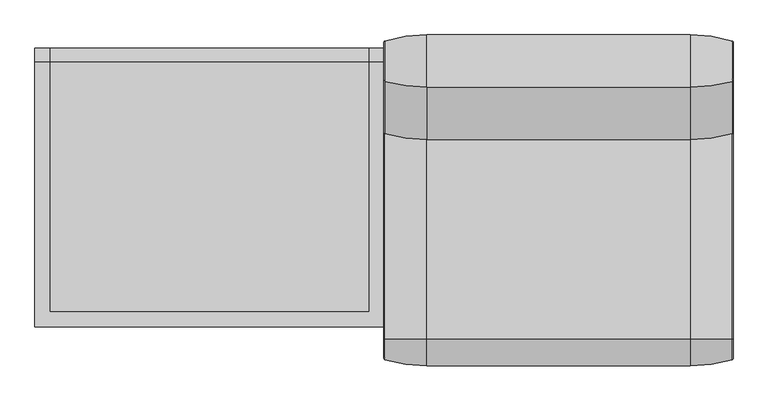
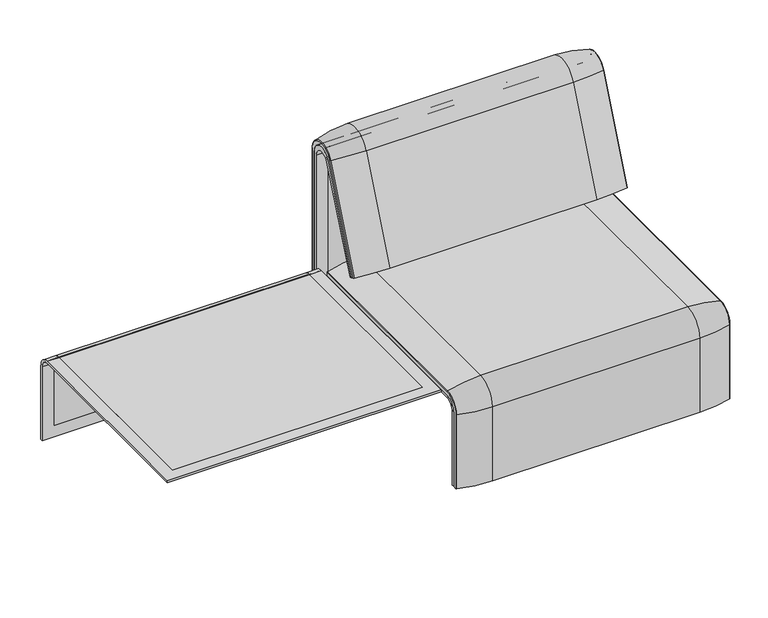
"""IFC4 building model written with IfcOpenShell, lengths in millimetres: furniture geometry."""

from ifc_helpers import new_model, si_unit, point, frame, frame_2d, origin, place, context, project, spatial, polyline, circle_curve, ellipse_curve, trimmed, segment, composite_curve, outline, extrude, source, transform, mapped, element, save
from ifc_brep_helpers import plane_surface, cylinder_surface, revolved_surface, advanced_brep


def furniture_3c98ff65(model_context):
    return source(origin(), model_context, "Body", "SolidModel", [
        advanced_brep(
        [(407.9906244, 295.0, 359.922434), (407.9906244, 295.0, 366.172434), (1223.9718733, 295.0, 366.172434), (1223.9718733, 295.0, 359.922434), (407.9906244, -357.5, 333.0583003), (407.9906244, -357.5, 100.5089435), (1223.9718733, -357.5, 100.5089435), (1223.9718733, -357.5, 333.0583003), (1189.0718733, -357.5, 333.0583003), (1189.0718733, -357.5, 135.3766997), (442.8906244, -357.5, 135.3766997), (442.8906244, -357.5, 333.0583003), (407.9906244, -323.7517936, 359.922434), (1223.9718733, -323.7517936, 359.922434), (1189.0718733, -323.7517936, 359.922434), (1189.0718733, 260.0, 359.922434), (442.8906244, 260.0, 359.922434), (442.8906244, -323.7517936, 359.922434), (1189.0718733, -351.0, 135.3766997), (1189.0718733, -324.3858663, 366.172434), (1189.0718733, 260.0, 366.172434), (1189.0718733, -351.0, 332.6742277), (442.8906244, 260.0, 366.172434), (407.9906244, -351.0, 332.6742277), (407.9906244, -351.0, 100.5089435), (407.9906244, -324.3858663, 366.172434), (1223.9718733, -324.3858663, 366.172434), (1223.9718733, -351.0, 100.5089435), (1223.9718733, -351.0, 332.6742277), (442.8906244, -324.3858663, 366.172434), (442.8906244, -351.0, 332.6742277), (442.8906244, -351.0, 135.3766997)],
        [
            (0, 1),
            (1, 2),
            (2, 3),
            (3, 0),
            (4, 5),
            (5, 6),
            (6, 7),
            (7, 8),
            (8, 9),
            (9, 10),
            (10, 11),
            (11, 4),
            (12, 0),
            (3, 13),
            (13, 14),
            (14, 15),
            (15, 16),
            (16, 17),
            (17, 12),
            (18, 9),
            (8, 19, circle_curve(frame((1189.0718733, -324.3858663, 333.0583003), z_axis=(-1.0, 0.0, 0.0), x_axis=(0.0, -1.0, 0.0)), 33.1141337)),
            (19, 20),
            (20, 15),
            (14, 21, circle_curve(frame((1189.0718733, -323.7517936, 332.6742277), z_axis=(1.0, 0.0, 0.0), x_axis=(0.0, -1.0, 0.0)), 27.2482064)),
            (21, 18),
            (22, 16),
            (20, 22),
            (12, 23, circle_curve(frame((407.9906244, -323.7517936, 332.6742277), z_axis=(1.0, 0.0, 0.0), x_axis=(0.0, -1.0, 0.0)), 27.2482064)),
            (23, 24),
            (24, 5),
            (4, 25, circle_curve(frame((407.9906244, -324.3858663, 333.0583003), z_axis=(-1.0, 0.0, 0.0), x_axis=(0.0, -1.0, 0.0)), 33.1141337)),
            (25, 1),
            (2, 26),
            (26, 7, circle_curve(frame((1223.9718733, -324.3858663, 333.0583003), z_axis=(1.0, 0.0, 0.0), x_axis=(0.0, -1.0, 0.0)), 33.1141337)),
            (6, 27),
            (27, 28),
            (28, 13, circle_curve(frame((1223.9718733, -323.7517936, 332.6742277), z_axis=(-1.0, 0.0, 0.0), x_axis=(0.0, -1.0, 0.0)), 27.2482064)),
            (25, 29),
            (29, 22),
            (19, 26),
            (11, 29, circle_curve(frame((442.8906244, -324.3858663, 333.0583003), z_axis=(-1.0, 0.0, 0.0), x_axis=(0.0, -1.0, 0.0)), 33.1141337)),
            (24, 27),
            (23, 30),
            (30, 31),
            (31, 18),
            (21, 28),
            (17, 30, circle_curve(frame((442.8906244, -323.7517936, 332.6742277), z_axis=(1.0, 0.0, 0.0), x_axis=(0.0, -1.0, 0.0)), 27.2482064)),
            (10, 31),
        ],
        [
            plane_surface(frame((407.9906244, 295.0, 366.172434), z_axis=(0.0, 1.0, 0.0), x_axis=(1.0, 0.0, 0.0))),
            plane_surface(frame((407.9906244, -357.5, 100.5089435), z_axis=(0.0, -1.0, 0.0), x_axis=(1.0, 0.0, 0.0))),
            plane_surface(frame((407.9906244, 295.0, 359.922434), z_axis=(0.0, 0.0, -1.0), x_axis=(1.0, 0.0, 0.0))),
            plane_surface(frame((1189.0718733, -296.9265415, 359.922434), z_axis=(-1.0, 0.0, 0.0), x_axis=(0.0, 1.0, 0.0))),
            plane_surface(frame((442.8906244, 260.0, 366.172434), z_axis=(0.0, -1.0, 0.0), x_axis=(1.0, 0.0, 0.0))),
            plane_surface(frame((407.9906244, -296.9265415, 359.922434), z_axis=(-1.0, 0.0, 0.0), x_axis=(0.0, -1.0, 0.0))),
            plane_surface(frame((1223.9718733, -296.9265415, 359.922434), z_axis=(1.0, 0.0, 0.0), x_axis=(0.0, 1.0, 0.0))),
            plane_surface(frame((407.9906244, -324.3858663, 366.172434), z_axis=(0.0, 0.0, 1.0), x_axis=(1.0, 0.0, 0.0))),
            cylinder_surface(frame((1223.9718733, -324.3858663, 333.0583003), z_axis=(-1.0, 0.0, 0.0), x_axis=(0.0, -1.0, 0.0)), 33.1141337),
            plane_surface(frame((407.9906244, -351.0, 100.5089435), z_axis=(0.0, 0.0, -1.0), x_axis=(1.0, 0.0, 0.0))),
            plane_surface(frame((407.9906244, -351.0, 332.6742277), z_axis=(0.0, 1.0, 0.0), x_axis=(1.0, 0.0, 0.0))),
            revolved_surface(polyline([(442.8906244, -351.0, 332.6742277), (407.9906244, -351.0, 332.6742277)]), (1223.9718733, -323.7517936, 332.6742277), (1.0, 0.0, 0.0)),
            revolved_surface(polyline([(1223.9718733, -351.0, 332.6742277), (1189.0718733, -351.0, 332.6742277)]), (1223.9718733, -323.7517936, 332.6742277), (1.0, 0.0, 0.0)),
            plane_surface(frame((442.8906244, -296.9265415, 359.922434), z_axis=(1.0, 0.0, 0.0), x_axis=(0.0, -1.0, 0.0))),
            plane_surface(frame((442.8906244, -351.0, 135.3766997), z_axis=(0.0, 0.0, 1.0), x_axis=(1.0, 0.0, 0.0))),
        ],
        [
            (0, [[1, 2, 3, 4]]),
            (1, [[5, 6, 7, 8, 9, 10, 11, 12]]),
            (2, [[13, -4, 14, 15, 16, 17, 18, 19]]),
            (3, [[20, -9, 21, 22, 23, -16, 24, 25]]),
            (4, [[26, -17, -23, 27]]),
            (5, [[-13, 28, 29, 30, -5, 31, 32, -1]]),
            (6, [[-3, 33, 34, -7, 35, 36, 37, -14]]),
            (7, [[-32, 38, 39, -27, -22, 40, -33, -2]]),
            (8, [[-34, -40, -21, -8]]),
            (8, [[-31, -12, 41, -38]]),
            (9, [[-30, 42, -35, -6]]),
            (10, [[-29, 43, 44, 45, -25, 46, -36, -42]]),
            (11, [[-28, -19, 47, -43]]),
            (12, [[-37, -46, -24, -15]]),
            (13, [[-26, -39, -41, -11, 48, -44, -47, -18]]),
            (14, [[-48, -10, -20, -45]]),
        ],
    ),
        extrude(outline(composite_curve([segment(polyline([(260.0, 359.922434), (-323.7517936, 359.922434)]), True, "CONTINUOUS"), segment(trimmed(circle_curve(frame_2d((-323.7517936, 332.6742277)), 27.2482064), [point((-323.7517936, 359.922434))], [point((-351.0, 332.6742277))], True, "CARTESIAN"), True, "CONTINUOUS"), segment(polyline([(-351.0, 332.6742277), (-351.0, 135.3766997), (-357.5, 135.3766997), (-357.5, 333.0583003)]), True, "CONTINUOUS"), segment(trimmed(circle_curve(frame_2d((-324.3858663, 333.0583003)), 33.1141337), [point((-357.5, 333.0583003))], [point((-324.3858663, 366.172434))], False, "CARTESIAN"), True, "CONTINUOUS"), segment(polyline([(-324.3858663, 366.172434), (260.0, 366.172434), (260.0, 359.922434)]), True, "CONTINUOUS")], self_intersect=False)), frame((442.8906244, 0.0, 0.0), z_axis=(1.0, 0.0, 0.0), x_axis=(0.0, 1.0, 0.0)), (0.0, 0.0, 1.0), 746.1812488),
        advanced_brep(
        [(407.9906244, -368.7793679, 100.5089435), (407.9906244, -357.5, 100.5089435), (1223.9718733, -357.5, 100.5089435), (1223.9718733, -368.7793679, 100.5089435), (1221.8332448, -371.6530483, 100.5089435), (1123.9718733, -386.0043559, 100.5089435), (507.9906244, -386.0043559, 100.5089435), (410.1292529, -371.6530483, 100.5089435), (407.9906244, 295.0, 377.4518019), (410.1292529, 295.0, 380.3254823), (507.9906244, 295.0, 394.67679), (1123.9718733, 295.0, 394.67679), (1221.8332448, 295.0, 380.3254823), (1223.9718733, 295.0, 377.4518019), (1223.9718733, 295.0, 366.172434), (407.9906244, 295.0, 366.172434), (407.9906244, -368.7793679, 333.0583003), (407.9906244, -324.3858663, 377.4518019), (407.9906244, -324.3858663, 366.172434), (407.9906244, -357.5, 333.0583003), (1223.9718733, -357.5, 333.0583003), (1123.9718733, -386.0043559, 333.0583003), (507.9906244, -386.0043559, 333.0583003), (410.1292529, -371.6530483, 333.0583003), (1223.9718733, -324.3858663, 366.172434), (507.9906244, -324.3858663, 394.67679), (1123.9718733, -324.3858663, 394.67679), (410.1292529, -324.3858663, 380.3254823), (1223.9718733, -324.3858663, 377.4518019), (1223.9718733, -368.7793679, 333.0583003), (1221.8332448, -371.6530483, 333.0583003), (1221.8332448, -324.3858663, 380.3254823)],
        [
            (0, 1),
            (1, 2),
            (2, 3),
            (3, 4, circle_curve(frame((1220.9718733, -368.7793679, 100.5089435), z_axis=(0.0, 0.0, -1.0), x_axis=(-1.0, 0.0, 0.0)), 3.0)),
            (4, 5, circle_curve(frame((1123.9718733, -45.1710226, 100.5089435), z_axis=(0.0, 0.0, -1.0), x_axis=(0.0, 1.0, 0.0)), 340.8333333)),
            (5, 6),
            (6, 7, circle_curve(frame((507.9906244, -45.1710226, 100.5089435), z_axis=(0.0, 0.0, -1.0), x_axis=(0.0, 1.0, 0.0)), 340.8333333)),
            (7, 0, circle_curve(frame((410.9906244, -368.7793679, 100.5089435), z_axis=(0.0, 0.0, -1.0), x_axis=(1.0, 0.0, 0.0)), 3.0)),
            (8, 9, circle_curve(frame((410.9906244, 295.0, 377.4518019), z_axis=(0.0, 1.0, 0.0), x_axis=(1.0, 0.0, 0.0)), 3.0)),
            (9, 10, circle_curve(frame((507.9906244, 295.0, 53.8434566), z_axis=(0.0, 1.0, 0.0), x_axis=(0.0, 0.0, -1.0)), 340.8333333)),
            (10, 11),
            (11, 12, circle_curve(frame((1123.9718733, 295.0, 53.8434566), z_axis=(0.0, 1.0, 0.0), x_axis=(0.0, 0.0, -1.0)), 340.8333333)),
            (12, 13, circle_curve(frame((1220.9718733, 295.0, 377.4518019), z_axis=(0.0, 1.0, 0.0), x_axis=(-1.0, 0.0, 0.0)), 3.0)),
            (13, 14),
            (14, 15),
            (15, 8),
            (0, 16),
            (16, 17, circle_curve(frame((407.9906244, -324.3858663, 333.0583003), z_axis=(-1.0, 0.0, 0.0), x_axis=(0.0, -1.0, 0.0)), 44.3935016)),
            (17, 8),
            (15, 18),
            (18, 19, circle_curve(frame((407.9906244, -324.3858663, 333.0583003), z_axis=(1.0, 0.0, 0.0), x_axis=(0.0, -1.0, 0.0)), 33.1141337)),
            (19, 1),
            (19, 20),
            (20, 2),
            (5, 21),
            (21, 22),
            (22, 6),
            (22, 23, circle_curve(frame((507.9906244, -45.1710226, 333.0583003), z_axis=(0.0, 0.0, -1.0), x_axis=(0.0, 1.0, 0.0)), 340.8333333)),
            (23, 7),
            (23, 16, circle_curve(frame((410.9906244, -368.7793679, 333.0583003), z_axis=(0.0, 0.0, -1.0), x_axis=(1.0, 0.0, 0.0)), 3.0)),
            (24, 20, circle_curve(frame((1223.9718733, -324.3858663, 333.0583003), z_axis=(1.0, 0.0, 0.0), x_axis=(0.0, -1.0, 0.0)), 33.1141337)),
            (18, 24),
            (25, 22, circle_curve(frame((507.9906244, -324.3858663, 333.0583003), z_axis=(1.0, 0.0, 0.0), x_axis=(0.0, -1.0, 0.0)), 61.6184897)),
            (21, 26, circle_curve(frame((1123.9718733, -324.3858663, 333.0583003), z_axis=(-1.0, 0.0, 0.0), x_axis=(0.0, -1.0, 0.0)), 61.6184897)),
            (26, 25),
            (27, 23, circle_curve(frame((410.1292529, -324.3858663, 333.0583003), z_axis=(1.0, 0.0, 0.0), x_axis=(0.0, -1.0, 0.0)), 47.267182)),
            (25, 27, circle_curve(frame((507.9906244, -324.3858663, 53.8434566), z_axis=(0.0, -1.0, 0.0), x_axis=(0.0, 0.0, -1.0)), 340.8333333)),
            (27, 17, circle_curve(frame((410.9906244, -324.3858663, 377.4518019), z_axis=(0.0, -1.0, 0.0), x_axis=(1.0, 0.0, 0.0)), 3.0)),
            (14, 24),
            (26, 11),
            (10, 25),
            (9, 27),
            (13, 28),
            (28, 29, circle_curve(frame((1223.9718733, -324.3858663, 333.0583003), z_axis=(1.0, 0.0, 0.0), x_axis=(0.0, -1.0, 0.0)), 44.3935016)),
            (29, 3),
            (29, 30, circle_curve(frame((1220.9718733, -368.7793679, 333.0583003), z_axis=(0.0, 0.0, -1.0), x_axis=(-1.0, 0.0, 0.0)), 3.0)),
            (30, 4),
            (30, 21, circle_curve(frame((1123.9718733, -45.1710226, 333.0583003), z_axis=(0.0, 0.0, -1.0), x_axis=(0.0, 1.0, 0.0)), 340.8333333)),
            (31, 30, circle_curve(frame((1221.8332448, -324.3858663, 333.0583003), z_axis=(1.0, 0.0, 0.0), x_axis=(0.0, -1.0, 0.0)), 47.267182)),
            (28, 31, circle_curve(frame((1220.9718733, -324.3858663, 377.4518019), z_axis=(0.0, -1.0, 0.0), x_axis=(-1.0, 0.0, 0.0)), 3.0)),
            (31, 26, circle_curve(frame((1123.9718733, -324.3858663, 53.8434566), z_axis=(0.0, -1.0, 0.0), x_axis=(0.0, 0.0, -1.0)), 340.8333333)),
            (12, 31),
        ],
        [
            plane_surface(frame((407.9906244, -357.5, 100.5089435), z_axis=(0.0, 0.0, -1.0), x_axis=(1.0, 0.0, 0.0))),
            plane_surface(frame((407.9906244, 295.0, 366.172434), z_axis=(0.0, 1.0, 0.0), x_axis=(1.0, 0.0, 0.0))),
            plane_surface(frame((407.9906244, -368.7793679, 100.5089435), z_axis=(-1.0, 0.0, 0.0), x_axis=(0.0, 0.0, 1.0))),
            plane_surface(frame((407.9906244, -357.5, 100.5089435), z_axis=(0.0, 1.0, 0.0), x_axis=(0.0, 0.0, 1.0))),
            plane_surface(frame((1123.9718733, -386.0043559, 100.5089435), z_axis=(0.0, -1.0, 0.0), x_axis=(0.0, 0.0, 1.0))),
            cylinder_surface(frame((507.9906244, -45.1710226, 100.5089435), z_axis=(0.0, 0.0, -1.0), x_axis=(0.0, 1.0, 0.0)), 340.8333333),
            cylinder_surface(frame((410.9906244, -368.7793679, 100.5089435), z_axis=(0.0, 0.0, -1.0), x_axis=(1.0, 0.0, 0.0)), 3.0),
            revolved_surface(polyline([(407.9906244, -357.5, 333.0583003), (1223.9718733, -357.5, 333.0583003)]), (407.9906244, -324.3858663, 333.0583003), (-1.0, 0.0, 0.0)),
            cylinder_surface(frame((407.9906244, -324.3858663, 333.0583003), z_axis=(-1.0, 0.0, 0.0), x_axis=(0.0, -1.0, 0.0)), 61.6184897),
            revolved_surface(trimmed(ellipse_curve(frame((507.9906244, -45.1710226, 333.0583003), z_axis=(0.0, 0.0, -1.0), x_axis=(0.0, 1.0, 0.0)), 340.8333333, 340.8333333), [point((507.9906244, -386.0043559, 333.0583003))], [point((410.1292529, -371.6530483, 333.0583003))], True, "CARTESIAN"), (407.9906244, -324.3858663, 333.0583003), (-1.0, 0.0, 0.0)),
            revolved_surface(trimmed(ellipse_curve(frame((410.9906244, -368.7793679, 333.0583003), z_axis=(0.0, 0.0, -1.0), x_axis=(1.0, 0.0, 0.0)), 3.0, 3.0), [point((410.1292529, -371.6530483, 333.0583003))], [point((407.9906244, -368.7793679, 333.0583003))], True, "CARTESIAN"), (407.9906244, -324.3858663, 333.0583003), (-1.0, 0.0, 0.0)),
            plane_surface(frame((407.9906244, -324.3858663, 366.172434), z_axis=(0.0, 0.0, -1.0), x_axis=(0.0, 1.0, 0.0))),
            plane_surface(frame((1123.9718733, -324.3858663, 394.67679), z_axis=(0.0, 0.0, 1.0), x_axis=(0.0, 1.0, 0.0))),
            cylinder_surface(frame((507.9906244, -324.3858663, 53.8434566), z_axis=(0.0, -1.0, 0.0), x_axis=(0.0, 0.0, -1.0)), 340.8333333),
            cylinder_surface(frame((410.9906244, -324.3858663, 377.4518019), z_axis=(0.0, -1.0, 0.0), x_axis=(1.0, 0.0, 0.0)), 3.0),
            plane_surface(frame((1223.9718733, -357.5, 100.5089435), z_axis=(1.0, 0.0, 0.0), x_axis=(0.0, 0.0, 1.0))),
            cylinder_surface(frame((1220.9718733, -368.7793679, 100.5089435), z_axis=(0.0, 0.0, -1.0), x_axis=(-1.0, 0.0, 0.0)), 3.0),
            cylinder_surface(frame((1123.9718733, -45.1710226, 100.5089435), z_axis=(0.0, 0.0, -1.0), x_axis=(0.0, 1.0, 0.0)), 340.8333333),
            revolved_surface(trimmed(ellipse_curve(frame((1220.9718733, -368.7793679, 333.0583003), z_axis=(0.0, 0.0, -1.0), x_axis=(-1.0, 0.0, 0.0)), 3.0, 3.0), [point((1223.9718733, -368.7793679, 333.0583003))], [point((1221.8332448, -371.6530483, 333.0583003))], True, "CARTESIAN"), (407.9906244, -324.3858663, 333.0583003), (-1.0, 0.0, 0.0)),
            revolved_surface(trimmed(ellipse_curve(frame((1123.9718733, -45.1710226, 333.0583003), z_axis=(0.0, 0.0, -1.0), x_axis=(0.0, 1.0, 0.0)), 340.8333333, 340.8333333), [point((1221.8332448, -371.6530483, 333.0583003))], [point((1123.9718733, -386.0043559, 333.0583003))], True, "CARTESIAN"), (407.9906244, -324.3858663, 333.0583003), (-1.0, 0.0, 0.0)),
            cylinder_surface(frame((1220.9718733, -324.3858663, 377.4518019), z_axis=(0.0, -1.0, 0.0), x_axis=(-1.0, 0.0, 0.0)), 3.0),
            cylinder_surface(frame((1123.9718733, -324.3858663, 53.8434566), z_axis=(0.0, -1.0, 0.0), x_axis=(0.0, 0.0, -1.0)), 340.8333333),
        ],
        [
            (0, [[1, 2, 3, 4, 5, 6, 7, 8]]),
            (1, [[9, 10, 11, 12, 13, 14, 15, 16]]),
            (2, [[-1, 17, 18, 19, -16, 20, 21, 22]]),
            (3, [[-2, -22, 23, 24]]),
            (4, [[-6, 25, 26, 27]]),
            (5, [[-7, -27, 28, 29]]),
            (6, [[-8, -29, 30, -17]]),
            (7, [[31, -23, -21, 32]]),
            (8, [[33, -26, 34, 35]]),
            (9, [[36, -28, -33, 37]]),
            (10, [[-18, -30, -36, 38]]),
            (11, [[-32, -20, -15, 39]]),
            (12, [[-35, 40, -11, 41]]),
            (13, [[-37, -41, -10, 42]]),
            (14, [[-38, -42, -9, -19]]),
            (15, [[-3, -24, -31, -39, -14, 43, 44, 45]]),
            (16, [[-4, -45, 46, 47]]),
            (17, [[-5, -47, 48, -25]]),
            (18, [[49, -46, -44, 50]]),
            (19, [[-34, -48, -49, 51]]),
            (20, [[-50, -43, -13, 52]]),
            (21, [[-51, -52, -12, -40]]),
        ],
    ),
        advanced_brep(
        [(1189.0718733, 176.0980387, 452.25948), (1189.0718733, 181.0136548, 450.2250668), (442.8906244, 181.0136548, 450.2250668), (442.8906244, 176.0980387, 452.25948), (1223.9884174, 351.0000061, 101.8476716), (1223.9884174, 351.0000061, 712.9272623), (1189.0718733, 351.0000061, 712.9272623), (1189.0718733, 351.0000061, 135.3766997), (442.8906244, 351.0000061, 135.3766997), (442.8906244, 351.0000061, 712.9272623), (408.0071685, 351.0000061, 712.9272623), (408.0071685, 351.0000061, 101.8476716), (1223.9884174, 359.7858817, 101.8476716), (1223.9884174, 359.7858817, 720.3417731), (1223.9884174, 292.4403877, 733.7122262), (1223.9884174, 170.1966807, 437.98305), (1223.9884174, 175.0204081, 435.9866665), (1223.9884174, 296.2458652, 723.9869215), (408.0071685, 296.2720241, 723.9759107), (408.0071685, 175.0204081, 435.9866665), (408.0071685, 170.1966807, 437.98305), (408.0071685, 292.4403877, 733.7122262), (408.0071685, 359.7858817, 720.3417731), (408.0071685, 359.7858817, 101.8476716), (1189.0718733, 292.4403877, 733.7122262), (442.8906244, 292.4403877, 733.7122262), (442.8906244, 296.2458652, 723.9869215), (1189.0718733, 296.2458652, 723.9869215), (442.8906244, 359.7858817, 720.3417731), (442.8906244, 359.7858817, 135.3766997), (1189.0718733, 359.7858817, 135.3766997), (1189.0718733, 359.7858817, 720.3417731)],
        [
            (0, 1),
            (1, 2),
            (2, 3),
            (3, 0),
            (4, 5),
            (5, 6),
            (6, 7),
            (7, 8),
            (8, 9),
            (9, 10),
            (10, 11),
            (11, 4),
            (4, 12),
            (12, 13),
            (13, 14, circle_curve(frame((1223.9884174, 324.7858817, 720.3417731), z_axis=(1.0, 0.0, 0.0), x_axis=(0.0, -1.0, 0.0)), 35.0)),
            (14, 15),
            (15, 16),
            (16, 17),
            (17, 5, circle_curve(frame((1223.9884174, 322.520748, 712.9272623), z_axis=(-1.0, 0.0, 0.0), x_axis=(0.0, -1.0, 0.0)), 28.479258)),
            (10, 18, circle_curve(frame((408.0071685, 322.520748, 712.9272623), z_axis=(1.0, 0.0, 0.0), x_axis=(0.0, -1.0, 0.0)), 28.479258)),
            (18, 19),
            (19, 20),
            (20, 21),
            (21, 22, circle_curve(frame((408.0071685, 324.7858817, 720.3417731), z_axis=(-1.0, 0.0, 0.0), x_axis=(0.0, -1.0, 0.0)), 35.0)),
            (22, 23),
            (23, 11),
            (14, 24),
            (24, 0),
            (3, 25),
            (25, 21),
            (20, 15),
            (19, 16),
            (18, 26),
            (26, 2),
            (1, 27),
            (27, 17),
            (23, 12),
            (22, 28),
            (28, 29),
            (29, 30),
            (30, 31),
            (31, 13),
            (31, 24, circle_curve(frame((1189.0718733, 324.7858817, 720.3417731), z_axis=(1.0, 0.0, 0.0), x_axis=(0.0, -1.0, 0.0)), 35.0)),
            (25, 28, circle_curve(frame((442.8906244, 324.7858817, 720.3417731), z_axis=(-1.0, 0.0, 0.0), x_axis=(0.0, -1.0, 0.0)), 35.0)),
            (27, 6, circle_curve(frame((1189.0718733, 322.520748, 712.9272623), z_axis=(-1.0, 0.0, 0.0), x_axis=(0.0, -1.0, 0.0)), 28.479258)),
            (9, 26, circle_curve(frame((442.8906244, 322.520748, 712.9272623), z_axis=(1.0, 0.0, 0.0), x_axis=(0.0, -1.0, 0.0)), 28.479258)),
            (30, 7),
            (8, 29),
        ],
        [
            plane_surface(frame((1189.0718733, 166.9120641, 456.0612553), z_axis=(0.0, 0.38241039441982605, 0.9239925812687422), x_axis=(-1.0, 0.0, 0.0))),
            plane_surface(frame((1223.9884174, 351.0000061, 712.9272623), z_axis=(0.0, -1.0, 0.0), x_axis=(-1.0, 0.0, 0.0))),
            plane_surface(frame((1223.9884174, 359.7858817, 101.8476716), z_axis=(1.0, 0.0, 0.0), x_axis=(0.0, 1.0, 0.0))),
            plane_surface(frame((408.0071685, 359.7858817, 101.8476716), z_axis=(-1.0, 0.0, 0.0), x_axis=(0.0, -1.0, 0.0))),
            plane_surface(frame((1223.9884174, 292.4403877, 733.7122262), z_axis=(0.0, -0.9241569717933176, 0.3820129467515535), x_axis=(-1.0, 0.0, 0.0))),
            plane_surface(frame((1223.9884174, 170.1966807, 437.98305), z_axis=(0.0, -0.38241039441983893, -0.9239925812687368), x_axis=(-1.0, 0.0, 0.0))),
            plane_surface(frame((1223.9884174, 175.0204081, 435.9866665), z_axis=(0.0, 0.921678643444566, -0.3879542218073993), x_axis=(-1.0, 0.0, 0.0))),
            plane_surface(frame((1223.9884174, 351.0000061, 101.8476716), z_axis=(0.0, 0.0, -1.0), x_axis=(-1.0, 0.0, 0.0))),
            plane_surface(frame((1223.9884174, 359.7858817, 101.8476716), z_axis=(0.0, 1.0, 0.0), x_axis=(-1.0, 0.0, 0.0))),
            cylinder_surface(frame((408.0071685, 324.7858817, 720.3417731), z_axis=(1.0, 0.0, 0.0), x_axis=(0.0, -1.0, 0.0)), 35.0),
            revolved_surface(polyline([(1189.0718733, 294.04149, 712.9272623), (1223.9884174, 294.04149, 712.9272623)]), (408.0071685, 322.520748, 712.9272623), (-1.0, 0.0, 0.0)),
            revolved_surface(polyline([(408.0071685, 294.04149, 712.9272623), (442.8906244, 294.04149, 712.9272623)]), (408.0071685, 322.520748, 712.9272623), (-1.0, 0.0, 0.0)),
            plane_surface(frame((1189.0718733, 359.7858817, 135.3766997), z_axis=(-1.0, 0.0, 0.0), x_axis=(0.0, 1.0, 0.0))),
            plane_surface(frame((442.8906244, 359.7858817, 135.3766997), z_axis=(1.0, 0.0, 0.0), x_axis=(0.0, -1.0, 0.0))),
            plane_surface(frame((1189.0718733, 344.7858817, 135.3766997), z_axis=(0.0, 0.0, 1.0), x_axis=(-1.0, 0.0, 0.0))),
        ],
        [
            (0, [[1, 2, 3, 4]]),
            (1, [[5, 6, 7, 8, 9, 10, 11, 12]]),
            (2, [[13, 14, 15, 16, 17, 18, 19, -5]]),
            (3, [[-11, 20, 21, 22, 23, 24, 25, 26]]),
            (4, [[-16, 27, 28, -4, 29, 30, -23, 31]]),
            (5, [[-17, -31, -22, 32]]),
            (6, [[-18, -32, -21, 33, 34, -2, 35, 36]]),
            (7, [[-13, -12, -26, 37]]),
            (8, [[-14, -37, -25, 38, 39, 40, 41, 42]]),
            (9, [[-15, -42, 43, -27]]),
            (9, [[-24, -30, 44, -38]]),
            (10, [[-19, -36, 45, -6]]),
            (11, [[-20, -10, 46, -33]]),
            (12, [[-1, -28, -43, -41, 47, -7, -45, -35]]),
            (13, [[48, -39, -44, -29, -3, -34, -46, -9]]),
            (14, [[-47, -40, -48, -8]]),
        ],
    ),
        advanced_brep(
        [(442.8906244, 351.0000061, 135.3766997), (442.8906244, 351.0000061, 712.9272623), (442.8906244, 296.2720241, 723.9759107), (442.8906244, 181.0136548, 450.2250668), (442.8906244, 176.0980387, 452.25948), (442.8906244, 292.4403877, 733.7122262), (442.8906244, 359.7858817, 720.3417731), (442.8906244, 359.7858817, 135.3766997), (1189.0718733, 176.0980387, 452.25948), (1189.0718733, 292.4403877, 733.7122262), (1189.0718733, 181.0136548, 450.2250668), (1189.0718733, 296.2458652, 723.9869215), (1189.0718733, 351.0000061, 135.3766997), (1189.0718733, 351.0000061, 712.9272623), (1189.0718733, 359.7858817, 135.3766997), (1189.0718733, 359.7858817, 720.3417731)],
        [
            (0, 1),
            (1, 2, circle_curve(frame((442.8906244, 322.520748, 712.9272623), z_axis=(1.0, 0.0, 0.0), x_axis=(0.0, -1.0, 0.0)), 28.479258)),
            (2, 3),
            (3, 4),
            (4, 5),
            (5, 6, circle_curve(frame((442.8906244, 324.7858817, 720.3417731), z_axis=(-1.0, 0.0, 0.0), x_axis=(0.0, -1.0, 0.0)), 35.0)),
            (6, 7),
            (7, 0),
            (8, 9),
            (9, 5),
            (4, 8),
            (10, 8),
            (3, 10),
            (11, 10),
            (2, 11),
            (12, 13),
            (13, 1),
            (0, 12),
            (12, 14),
            (14, 15),
            (15, 9, circle_curve(frame((1189.0718733, 324.7858817, 720.3417731), z_axis=(1.0, 0.0, 0.0), x_axis=(0.0, -1.0, 0.0)), 35.0)),
            (11, 13, circle_curve(frame((1189.0718733, 322.520748, 712.9272623), z_axis=(-1.0, 0.0, 0.0), x_axis=(0.0, -1.0, 0.0)), 28.479258)),
            (7, 14),
            (6, 15),
        ],
        [
            plane_surface(frame((442.8906244, 359.7858817, 135.3766997), z_axis=(-1.0, 0.0, 0.0), x_axis=(0.0, -1.0, 0.0))),
            plane_surface(frame((1189.0718733, 292.4403877, 733.7122262), z_axis=(0.0, -0.9241569717933176, 0.3820129467515535), x_axis=(-1.0, 0.0, 0.0))),
            plane_surface(frame((1189.0718733, 176.0980387, 452.25948), z_axis=(0.0, -0.38241039441982716, -0.9239925812687417), x_axis=(-1.0, 0.0, 0.0))),
            plane_surface(frame((1189.0718733, 181.0136548, 450.2250668), z_axis=(0.0, 0.921678643444566, -0.3879542218073993), x_axis=(-1.0, 0.0, 0.0))),
            plane_surface(frame((1189.0718733, 351.0000061, 712.9272623), z_axis=(0.0, -1.0, 0.0), x_axis=(-1.0, 0.0, 0.0))),
            plane_surface(frame((1189.0718733, 359.7858817, 135.3766997), z_axis=(1.0, 0.0, 0.0), x_axis=(0.0, 1.0, 0.0))),
            plane_surface(frame((1189.0718733, 351.0000061, 135.3766997), z_axis=(0.0, 0.0, -1.0), x_axis=(-1.0, 0.0, 0.0))),
            plane_surface(frame((1189.0718733, 359.7858817, 135.3766997), z_axis=(0.0, 1.0, 0.0), x_axis=(-1.0, 0.0, 0.0))),
            cylinder_surface(frame((442.8906244, 324.7858817, 720.3417731), z_axis=(1.0, 0.0, 0.0), x_axis=(0.0, -1.0, 0.0)), 35.0),
            revolved_surface(polyline([(442.8906244, 294.04149, 712.9272623), (1189.0718733, 294.04149, 712.9272623)]), (442.8906244, 322.520748, 712.9272623), (-1.0, 0.0, 0.0)),
        ],
        [
            (0, [[1, 2, 3, 4, 5, 6, 7, 8]]),
            (1, [[9, 10, -5, 11]]),
            (2, [[12, -11, -4, 13]]),
            (3, [[14, -13, -3, 15]]),
            (4, [[16, 17, -1, 18]]),
            (5, [[19, 20, 21, -9, -12, -14, 22, -16]]),
            (6, [[-19, -18, -8, 23]]),
            (7, [[-20, -23, -7, 24]]),
            (8, [[-21, -24, -6, -10]]),
            (9, [[-22, -15, -2, -17]]),
        ],
    ),
        extrude(outline(composite_curve([segment(trimmed(circle_curve(frame_2d((305.0000061, 379.9223263)), 30.0), [point((305.0000061, 349.9223263))], [point((335.0000061, 379.9223263))], True, "CARTESIAN"), True, "CONTINUOUS"), segment(polyline([(335.0000061, 379.9223263), (335.0000061, 515.0657595)]), True, "CONTINUOUS"), segment(trimmed(circle_curve(frame_2d((305.0000061, 515.0657595)), 30.0), [point((335.0000061, 515.0657595))], [point((316.7219399, 542.6809051))], True, "CARTESIAN"), True, "CONTINUOUS"), segment(polyline([(316.7219399, 542.6809051), (257.4911714, 567.8228747)]), True, "CONTINUOUS"), segment(trimmed(circle_curve(frame_2d((251.6302045, 554.0153019)), 15.0), [point((257.4911714, 567.8228747))], [point((238.0355877, 560.3545758))], True, "CARTESIAN"), True, "CONTINUOUS"), segment(polyline([(238.0355877, 560.3545758), (222.2725218, 526.5505721), (213.7507451, 529.5682915), (296.3054528, 724.0549949)]), True, "CONTINUOUS"), segment(trimmed(circle_curve(frame_2d((322.520748, 712.9272623)), 28.479258), [point((296.3054528, 724.0549949))], [point((351.0000061, 712.9272623))], False, "CARTESIAN"), True, "CONTINUOUS"), segment(polyline([(351.0000061, 712.9272623), (351.0000061, 197.0551771), (343.3075759, 197.0551771), (339.4064861, 271.492405)]), True, "CONTINUOUS"), segment(trimmed(circle_curve(frame_2d((309.4476, 269.9223263)), 30.0), [point((339.4064861, 271.492405))], [point((309.4476, 299.9223263))], True, "CARTESIAN"), True, "CONTINUOUS"), segment(polyline([(309.4476, 299.9223263), (270.0000061, 299.9223263), (270.0000061, 359.9223263), (275.0000061, 359.9223263)]), True, "CONTINUOUS"), segment(trimmed(circle_curve(frame_2d((285.0000061, 359.9223263)), 10.0), [point((275.0000061, 359.9223263))], [point((285.0000061, 349.9223263))], True, "CARTESIAN"), True, "CONTINUOUS"), segment(polyline([(285.0000061, 349.9223263), (305.0000061, 349.9223263)]), True, "CONTINUOUS")], self_intersect=False), holes=[composite_curve([segment(polyline([(337.5000061, 576.3274105), (337.5000061, 716.7072663)]), True, "CONTINUOUS"), segment(trimmed(circle_curve(frame_2d((322.5000061, 716.7072663)), 15.0), [point((337.5000061, 716.7072663))], [point((308.9053893, 723.0465402))], True, "CARTESIAN"), True, "CONTINUOUS"), segment(polyline([(308.9053893, 723.0465402), (253.6256191, 604.4986904)]), True, "CONTINUOUS"), segment(trimmed(circle_curve(frame_2d((271.7517748, 596.0463251)), 20.0), [point((253.6256191, 604.4986904))], [point((265.0756376, 577.1934953))], True, "CARTESIAN"), True, "CONTINUOUS"), segment(polyline([(265.0756376, 577.1934953), (314.1406626, 559.8186587)]), True, "CONTINUOUS"), segment(trimmed(circle_curve(frame_2d((319.9867182, 576.3274105)), 17.5132879), [point((314.1406626, 559.8186587))], [point((337.5000061, 576.3274105))], True, "CARTESIAN"), True, "CONTINUOUS")], self_intersect=False)]), frame((1060.9760457, 0.0, 0.0), z_axis=(1.0, 0.0, 0.0), x_axis=(0.0, 1.0, 0.0)), (0.0, 0.0, 1.0), 40.0),
        advanced_brep(
        [(1221.8497889, 373.93893, 100.5089435), (1123.9884174, 388.2902376, 100.5089435), (1123.9884174, 388.2902376, 720.3417731), (1221.8497889, 373.93893, 720.3417731), (407.9740803, 292.4403877, 733.7122262), (407.9740803, 359.7858817, 720.3417731), (1223.9884174, 359.7858817, 720.3417731), (1223.9884174, 292.4403877, 733.7122262), (507.9740803, 388.2902376, 100.5089435), (410.1127088, 373.93893, 100.5089435), (410.1127088, 373.93893, 720.3417731), (507.9740803, 388.2902376, 720.3417731), (410.1127088, 279.3607494, 739.1188739), (407.9740803, 282.0164812, 738.0210907), (407.9740803, 159.7723383, 442.2908598), (410.1127088, 157.1166065, 443.3886429), (507.9740803, 266.0978884, 744.6012592), (507.9740803, 143.8537454, 448.8710282), (1223.9884174, 371.0652495, 100.5089435), (1223.9884174, 359.7858817, 100.5089435), (407.9740803, 359.7858817, 100.5089435), (407.9740803, 371.0652495, 100.5089435), (1223.9884174, 371.0652495, 720.3417731), (1223.9884174, 282.0164812, 738.0210907), (1223.9884174, 159.7723383, 442.2908598), (1223.9884174, 170.1962447, 437.9819952), (1123.9884174, 143.8537454, 448.8710282), (407.9740803, 170.1962447, 437.9819952), (1221.8497889, 157.1166065, 443.3886429), (1123.9884174, 266.0978884, 744.6012592), (1221.8497889, 279.3607494, 739.1188739), (407.9740803, 371.0652495, 720.3417731)],
        [
            (0, 1, circle_curve(frame((1123.9884174, 47.4569043, 100.5089435), z_axis=(0.0, 0.0, 1.0), x_axis=(0.0, -1.0, 0.0)), 340.8333333)),
            (1, 2),
            (2, 3, circle_curve(frame((1123.9884174, 47.4569043, 720.3417731), z_axis=(0.0, 0.0, -1.0), x_axis=(0.0, -1.0, 0.0)), 340.8333333)),
            (3, 0),
            (4, 5, circle_curve(frame((407.9740803, 324.7858817, 720.3417731), z_axis=(-1.0, 0.0, 0.0), x_axis=(0.0, 1.0, 0.0)), 35.0)),
            (5, 6),
            (6, 7, circle_curve(frame((1223.9884174, 324.7858817, 720.3417731), z_axis=(1.0, 0.0, 0.0), x_axis=(0.0, 1.0, 0.0)), 35.0)),
            (7, 4),
            (8, 9, circle_curve(frame((507.9740803, 47.4569043, 100.5089435), z_axis=(0.0, 0.0, 1.0), x_axis=(0.0, -1.0, 0.0)), 340.8333333)),
            (9, 10),
            (10, 11, circle_curve(frame((507.9740803, 47.4569043, 720.3417731), z_axis=(0.0, 0.0, -1.0), x_axis=(0.0, -1.0, 0.0)), 340.8333333)),
            (11, 8),
            (12, 13, circle_curve(frame((410.9740803, 282.0164812, 738.0210907), z_axis=(0.0, -0.38201294675155345, -0.9241569717933176), x_axis=(-1.0, 0.0, 0.0)), 3.0)),
            (13, 14),
            (14, 15, circle_curve(frame((410.9740803, 159.7723383, 442.2908598), z_axis=(0.0, 0.38201294675155345, 0.9241569717933176), x_axis=(-1.0, 0.0, 0.0)), 3.0)),
            (15, 12),
            (16, 12, circle_curve(frame((507.9740803, 581.0813896, 614.3985132), z_axis=(0.0, -0.38201294675155345, -0.9241569717933176), x_axis=(0.0, 0.9241569717933176, -0.38201294675155345)), 340.8333333)),
            (15, 17, circle_curve(frame((507.9740803, 458.8372467, 318.6682822), z_axis=(0.0, 0.38201294675155345, 0.9241569717933176), x_axis=(0.0, 0.9241569717933176, -0.38201294675155345)), 340.8333333)),
            (17, 16),
            (0, 18, circle_curve(frame((1220.9884174, 371.0652495, 100.5089435), z_axis=(0.0, 0.0, -1.0), x_axis=(1.0, 0.0, 0.0)), 3.0)),
            (18, 19),
            (19, 20),
            (20, 21),
            (21, 9, circle_curve(frame((410.9740803, 371.0652495, 100.5089435), z_axis=(0.0, 0.0, -1.0), x_axis=(-1.0, 0.0, 0.0)), 3.0)),
            (8, 1),
            (11, 2),
            (3, 22, circle_curve(frame((1220.9884174, 371.0652495, 720.3417731), z_axis=(0.0, 0.0, -1.0), x_axis=(1.0, 0.0, 0.0)), 3.0)),
            (22, 18),
            (22, 23, circle_curve(frame((1223.9884174, 324.7858817, 720.3417731), z_axis=(1.0, 0.0, 0.0), x_axis=(0.0, 1.0, 0.0)), 46.2793679)),
            (23, 24),
            (24, 25),
            (25, 7),
            (6, 19),
            (5, 20),
            (26, 17),
            (14, 27),
            (27, 25),
            (24, 28, circle_curve(frame((1220.9884174, 159.7723383, 442.2908598), z_axis=(0.0, -0.38201294675155345, -0.9241569717933176), x_axis=(1.0, 0.0, 0.0)), 3.0)),
            (28, 26, circle_curve(frame((1123.9884174, 458.8372467, 318.6682822), z_axis=(0.0, -0.38201294675155345, -0.9241569717933176), x_axis=(0.0, 0.9241569717933176, -0.38201294675155345)), 340.8333333)),
            (29, 2, circle_curve(frame((1123.9884174, 324.7858817, 720.3417731), z_axis=(-1.0, 0.0, 0.0), x_axis=(0.0, 1.0, 0.0)), 63.5043559)),
            (11, 16, circle_curve(frame((507.9740803, 324.7858817, 720.3417731), z_axis=(1.0, 0.0, 0.0), x_axis=(0.0, 1.0, 0.0)), 63.5043559)),
            (16, 29),
            (30, 3, circle_curve(frame((1221.8497889, 324.7858817, 720.3417731), z_axis=(-1.0, 0.0, 0.0), x_axis=(0.0, 1.0, 0.0)), 49.1530483)),
            (29, 30, circle_curve(frame((1123.9884174, 581.0813896, 614.3985132), z_axis=(0.0, 0.382012946751556, 0.9241569717933165), x_axis=(0.0, 0.9241569717933165, -0.382012946751556)), 340.8333333)),
            (30, 23, circle_curve(frame((1220.9884174, 282.0164812, 738.0210907), z_axis=(0.0, 0.3820129467515552, 0.9241569717933168), x_axis=(1.0, 0.0, 0.0)), 3.0)),
            (26, 29),
            (28, 30),
            (27, 4),
            (13, 31, circle_curve(frame((407.9740803, 324.7858817, 720.3417731), z_axis=(-1.0, 0.0, 0.0), x_axis=(0.0, 1.0, 0.0)), 46.2793679)),
            (31, 21),
            (31, 10, circle_curve(frame((410.9740803, 371.0652495, 720.3417731), z_axis=(0.0, 0.0, -1.0), x_axis=(-1.0, 0.0, 0.0)), 3.0)),
            (12, 10, circle_curve(frame((410.1127088, 324.7858817, 720.3417731), z_axis=(-1.0, 0.0, 0.0), x_axis=(0.0, 1.0, 0.0)), 49.1530483)),
        ],
        [
            cylinder_surface(frame((1123.9884174, 47.4569043, 100.5089435), z_axis=(0.0, 0.0, -1.0), x_axis=(0.0, -1.0, 0.0)), 340.8333333),
            revolved_surface(polyline([(1223.9884174, 359.7858817, 720.3417731), (407.9740803, 359.7858817, 720.3417731)]), (820.7462721, 324.7858817, 720.3417731), (1.0, 0.0, 0.0)),
            cylinder_surface(frame((507.9740803, 47.4569043, 100.5089435), z_axis=(0.0, 0.0, -1.0), x_axis=(0.0, -1.0, 0.0)), 340.8333333),
            cylinder_surface(frame((410.9740803, 282.0164812, 738.0210907), z_axis=(0.0, 0.38201294675155345, 0.9241569717933176), x_axis=(-1.0, 0.0, 0.0)), 3.0),
            cylinder_surface(frame((507.9740803, 581.0813896, 614.3985132), z_axis=(0.0, 0.38201294675155345, 0.9241569717933176), x_axis=(0.0, 0.9241569717933176, -0.38201294675155345)), 340.8333333),
            plane_surface(frame((820.7462721, 359.7858817, 100.5089435), z_axis=(0.0, 0.0, -1.0), x_axis=(1.0, 0.0, 0.0))),
            plane_surface(frame((507.9740803, 388.2902376, 100.5089435), z_axis=(0.0, 1.0, 0.0), x_axis=(0.0, 0.0, 1.0))),
            cylinder_surface(frame((1220.9884174, 371.0652495, 100.5089435), z_axis=(0.0, 0.0, -1.0), x_axis=(1.0, 0.0, 0.0)), 3.0),
            plane_surface(frame((1223.9884174, 371.0652495, 100.5089435), z_axis=(1.0, 0.0, 0.0), x_axis=(0.0, 0.0, 1.0))),
            plane_surface(frame((1223.9884174, 359.7858817, 100.5089435), z_axis=(0.0, -1.0, 0.0), x_axis=(0.0, 0.0, 1.0))),
            plane_surface(frame((820.7462721, 170.1962447, 437.9819952), z_axis=(0.0, -0.38201294675155345, -0.9241569717933176), x_axis=(1.0, 0.0, 0.0))),
            cylinder_surface(frame((820.7462721, 324.7858817, 720.3417731), z_axis=(1.0, 0.0, 0.0), x_axis=(0.0, 1.0, 0.0)), 63.5043559),
            revolved_surface(trimmed(ellipse_curve(frame((1123.9884174, 47.4569043, 720.3417731), z_axis=(0.0, 0.0, -1.0), x_axis=(0.0, -1.0, 0.0)), 340.8333333, 340.8333333), [point((1123.9884174, 388.2902376, 720.3417731))], [point((1221.8497889, 373.93893, 720.3417731))], True, "CARTESIAN"), (820.7462721, 324.7858817, 720.3417731), (1.0, 0.0, 0.0)),
            revolved_surface(trimmed(ellipse_curve(frame((1220.9884174, 371.0652495, 720.3417731), z_axis=(0.0, 0.0, -1.0), x_axis=(1.0, 0.0, 0.0)), 3.0, 3.0), [point((1221.8497889, 373.93893, 720.3417731))], [point((1223.9884174, 371.0652495, 720.3417731))], True, "CARTESIAN"), (820.7462721, 324.7858817, 720.3417731), (1.0, 0.0, 0.0)),
            plane_surface(frame((507.9740803, 266.0978884, 744.6012592), z_axis=(0.0, -0.9241569717933176, 0.38201294675155356), x_axis=(0.0, -0.38201294675155356, -0.9241569717933176))),
            cylinder_surface(frame((1123.9884174, 581.0813896, 614.3985132), z_axis=(0.0, 0.38201294675155345, 0.9241569717933176), x_axis=(0.0, 0.9241569717933176, -0.38201294675155345)), 340.8333333),
            cylinder_surface(frame((1220.9884174, 282.0164812, 738.0210907), z_axis=(0.0, 0.38201294675155345, 0.9241569717933176), x_axis=(1.0, 0.0, 0.0)), 3.0),
            plane_surface(frame((1223.9884174, 292.4403877, 733.7122262), z_axis=(0.0, 0.9241569717933176, -0.38201294675155356), x_axis=(0.0, -0.38201294675155356, -0.9241569717933176))),
            plane_surface(frame((407.9740803, 359.7858817, 100.5089435), z_axis=(-1.0, 0.0, 0.0), x_axis=(0.0, 0.0, 1.0))),
            cylinder_surface(frame((410.9740803, 371.0652495, 100.5089435), z_axis=(0.0, 0.0, -1.0), x_axis=(-1.0, 0.0, 0.0)), 3.0),
            revolved_surface(trimmed(ellipse_curve(frame((410.9740803, 371.0652495, 720.3417731), z_axis=(0.0, 0.0, -1.0), x_axis=(-1.0, 0.0, 0.0)), 3.0, 3.0), [point((407.9740803, 371.0652495, 720.3417731))], [point((410.1127088, 373.93893, 720.3417731))], True, "CARTESIAN"), (820.7462721, 324.7858817, 720.3417731), (1.0, 0.0, 0.0)),
            revolved_surface(trimmed(ellipse_curve(frame((507.9740803, 47.4569043, 720.3417731), z_axis=(0.0, 0.0, -1.0), x_axis=(0.0, -1.0, 0.0)), 340.8333333, 340.8333333), [point((410.1127088, 373.93893, 720.3417731))], [point((507.9740803, 388.2902376, 720.3417731))], True, "CARTESIAN"), (820.7462721, 324.7858817, 720.3417731), (1.0, 0.0, 0.0)),
        ],
        [
            (0, [[1, 2, 3, 4]]),
            (1, [[5, 6, 7, 8]]),
            (2, [[9, 10, 11, 12]]),
            (3, [[13, 14, 15, 16]]),
            (4, [[17, -16, 18, 19]]),
            (5, [[-1, 20, 21, 22, 23, 24, -9, 25]]),
            (6, [[-25, -12, 26, -2]]),
            (7, [[-20, -4, 27, 28]]),
            (8, [[-21, -28, 29, 30, 31, 32, -7, 33]]),
            (9, [[-22, -33, -6, 34]]),
            (10, [[35, -18, -15, 36, 37, -31, 38, 39]]),
            (11, [[40, -26, 41, 42]]),
            (12, [[43, -3, -40, 44]]),
            (13, [[-29, -27, -43, 45]]),
            (14, [[-42, -19, -35, 46]]),
            (15, [[-44, -46, -39, 47]]),
            (16, [[-45, -47, -38, -30]]),
            (17, [[-8, -32, -37, 48]]),
            (18, [[-23, -34, -5, -48, -36, -14, 49, 50]]),
            (19, [[-24, -50, 51, -10]]),
            (20, [[52, -51, -49, -13]]),
            (21, [[-41, -11, -52, -17]]),
        ],
    ),
        extrude(outline(composite_curve([segment(trimmed(circle_curve(frame_2d((305.0000061, 379.9223263)), 30.0), [point((305.0000061, 349.9223263))], [point((335.0000061, 379.9223263))], True, "CARTESIAN"), True, "CONTINUOUS"), segment(polyline([(335.0000061, 379.9223263), (335.0000061, 515.0657595)]), True, "CONTINUOUS"), segment(trimmed(circle_curve(frame_2d((305.0000061, 515.0657595)), 30.0), [point((335.0000061, 515.0657595))], [point((316.7219399, 542.6809051))], True, "CARTESIAN"), True, "CONTINUOUS"), segment(polyline([(316.7219399, 542.6809051), (257.4911714, 567.8228747)]), True, "CONTINUOUS"), segment(trimmed(circle_curve(frame_2d((251.6302045, 554.0153019)), 15.0), [point((257.4911714, 567.8228747))], [point((238.0355877, 560.3545758))], True, "CARTESIAN"), True, "CONTINUOUS"), segment(polyline([(238.0355877, 560.3545758), (222.2725218, 526.5505721), (213.7507451, 529.5682915), (296.3054528, 724.0549949)]), True, "CONTINUOUS"), segment(trimmed(circle_curve(frame_2d((322.520748, 712.9272623)), 28.479258), [point((296.3054528, 724.0549949))], [point((351.0000061, 712.9272623))], False, "CARTESIAN"), True, "CONTINUOUS"), segment(polyline([(351.0000061, 712.9272623), (351.0000061, 197.0551771), (343.3075759, 197.0551771), (339.4064861, 271.492405)]), True, "CONTINUOUS"), segment(trimmed(circle_curve(frame_2d((309.4476, 269.9223263)), 30.0), [point((339.4064861, 271.492405))], [point((309.4476, 299.9223263))], True, "CARTESIAN"), True, "CONTINUOUS"), segment(polyline([(309.4476, 299.9223263), (270.0000061, 299.9223263), (270.0000061, 359.9223263), (275.0000061, 359.9223263)]), True, "CONTINUOUS"), segment(trimmed(circle_curve(frame_2d((285.0000061, 359.9223263)), 10.0), [point((275.0000061, 359.9223263))], [point((285.0000061, 349.9223263))], True, "CARTESIAN"), True, "CONTINUOUS"), segment(polyline([(285.0000061, 349.9223263), (305.0000061, 349.9223263)]), True, "CONTINUOUS")], self_intersect=False), holes=[composite_curve([segment(polyline([(337.5000061, 576.3274105), (337.5000061, 716.7072663)]), True, "CONTINUOUS"), segment(trimmed(circle_curve(frame_2d((322.5000061, 716.7072663)), 15.0), [point((337.5000061, 716.7072663))], [point((308.9053893, 723.0465402))], True, "CARTESIAN"), True, "CONTINUOUS"), segment(polyline([(308.9053893, 723.0465402), (253.6256191, 604.4986904)]), True, "CONTINUOUS"), segment(trimmed(circle_curve(frame_2d((271.7517748, 596.0463251)), 20.0), [point((253.6256191, 604.4986904))], [point((265.0756376, 577.1934953))], True, "CARTESIAN"), True, "CONTINUOUS"), segment(polyline([(265.0756376, 577.1934953), (314.1406626, 559.8186587)]), True, "CONTINUOUS"), segment(trimmed(circle_curve(frame_2d((319.9867182, 576.3274105)), 17.5132879), [point((314.1406626, 559.8186587))], [point((337.5000061, 576.3274105))], True, "CARTESIAN"), True, "CONTINUOUS")], self_intersect=False)]), frame((530.986452, 0.0, 0.0), z_axis=(1.0, 0.0, 0.0), x_axis=(0.0, 1.0, 0.0)), (0.0, 0.0, 1.0), 40.0),
        advanced_brep(
        [(-407.9906244, -295.0, 359.922434), (-407.9906244, -295.0, 366.172434), (-407.9906244, 324.3858663, 366.172434), (-407.9906244, 357.5, 333.0583003), (-407.9906244, 357.5, 100.5089435), (-407.9906244, 351.0, 100.5089435), (-407.9906244, 351.0, 332.6742277), (-407.9906244, 323.7517936, 359.922434), (407.9906244, -295.0, 359.922434), (407.9906244, 323.7517936, 359.922434), (407.9906244, 351.0, 332.6742277), (407.9906244, 351.0, 100.5089435), (407.9906244, 357.5, 100.5089435), (407.9906244, 357.5, 333.0583003), (407.9906244, 324.3858663, 366.172434), (407.9906244, -295.0, 366.172434), (373.0906244, 324.3858663, 366.172434), (373.0906244, -260.0, 366.172434), (-373.0906244, -260.0, 366.172434), (-373.0906244, 324.3858663, 366.172434), (-373.0906244, 357.5, 333.0583003), (373.0906244, 357.5, 333.0583003), (-373.0906244, 357.5, 135.3766997), (373.0906244, 357.5, 135.3766997), (373.0906244, 351.0, 332.6742277), (373.0906244, 351.0, 135.3766997), (-373.0906244, 351.0, 135.3766997), (-373.0906244, 351.0, 332.6742277), (-373.0906244, 323.7517936, 359.922434), (373.0906244, 323.7517936, 359.922434), (-373.0906244, -260.0, 359.922434), (373.0906244, -260.0, 359.922434)],
        [
            (0, 1),
            (1, 2),
            (2, 3, circle_curve(frame((-407.9906244, 324.3858663, 333.0583003), z_axis=(-1.0, 0.0, 0.0), x_axis=(0.0, 1.0, 0.0)), 33.1141337)),
            (3, 4),
            (4, 5),
            (5, 6),
            (6, 7, circle_curve(frame((-407.9906244, 323.7517936, 332.6742277), z_axis=(1.0, 0.0, 0.0), x_axis=(0.0, 1.0, 0.0)), 27.2482064)),
            (7, 0),
            (8, 9),
            (9, 10, circle_curve(frame((407.9906244, 323.7517936, 332.6742277), z_axis=(-1.0, 0.0, 0.0), x_axis=(0.0, 1.0, 0.0)), 27.2482064)),
            (10, 11),
            (11, 12),
            (12, 13),
            (13, 14, circle_curve(frame((407.9906244, 324.3858663, 333.0583003), z_axis=(1.0, 0.0, 0.0), x_axis=(0.0, 1.0, 0.0)), 33.1141337)),
            (14, 15),
            (15, 8),
            (0, 8),
            (15, 1),
            (14, 16),
            (16, 17),
            (17, 18),
            (18, 19),
            (19, 2),
            (19, 20, circle_curve(frame((-373.0906244, 324.3858663, 333.0583003), z_axis=(-1.0, 0.0, 0.0), x_axis=(0.0, 1.0, 0.0)), 33.1141337)),
            (20, 3),
            (13, 21),
            (21, 16, circle_curve(frame((373.0906244, 324.3858663, 333.0583003), z_axis=(1.0, 0.0, 0.0), x_axis=(0.0, 1.0, 0.0)), 33.1141337)),
            (20, 22),
            (22, 23),
            (23, 21),
            (12, 4),
            (11, 5),
            (10, 24),
            (24, 25),
            (25, 26),
            (26, 27),
            (27, 6),
            (27, 28, circle_curve(frame((-373.0906244, 323.7517936, 332.6742277), z_axis=(1.0, 0.0, 0.0), x_axis=(0.0, 1.0, 0.0)), 27.2482064)),
            (28, 7),
            (9, 29),
            (29, 24, circle_curve(frame((373.0906244, 323.7517936, 332.6742277), z_axis=(-1.0, 0.0, 0.0), x_axis=(0.0, 1.0, 0.0)), 27.2482064)),
            (28, 30),
            (30, 31),
            (31, 29),
            (26, 22),
            (18, 30),
            (31, 17),
            (23, 25),
        ],
        [
            plane_surface(frame((-407.9906244, 296.9265415, 359.922434), z_axis=(-1.0, 0.0, 0.0), x_axis=(0.0, 1.0, 0.0))),
            plane_surface(frame((407.9906244, 296.9265415, 359.922434), z_axis=(1.0, 0.0, 0.0), x_axis=(0.0, -1.0, 0.0))),
            plane_surface(frame((-407.9906244, -295.0, 366.172434), z_axis=(0.0, -1.0, 0.0), x_axis=(1.0, 0.0, 0.0))),
            plane_surface(frame((-407.9906244, 324.3858663, 366.172434), z_axis=(0.0, 0.0, 1.0), x_axis=(1.0, 0.0, 0.0))),
            cylinder_surface(frame((407.9906244, 324.3858663, 333.0583003), z_axis=(-1.0, 0.0, 0.0), x_axis=(0.0, 1.0, 0.0)), 33.1141337),
            plane_surface(frame((-407.9906244, 357.5, 100.5089435), z_axis=(0.0, 1.0, 0.0), x_axis=(1.0, 0.0, 0.0))),
            plane_surface(frame((-407.9906244, 351.0, 100.5089435), z_axis=(0.0, 0.0, -1.0), x_axis=(1.0, 0.0, 0.0))),
            plane_surface(frame((-407.9906244, 351.0, 332.6742277), z_axis=(0.0, -1.0, 0.0), x_axis=(1.0, 0.0, 0.0))),
            revolved_surface(polyline([(-373.0906244, 351.0, 332.6742277), (-407.9906244, 351.0, 332.6742277)]), (407.9906244, 323.7517936, 332.6742277), (1.0, 0.0, 0.0)),
            revolved_surface(polyline([(407.9906244, 351.0, 332.6742277), (373.0906244, 351.0, 332.6742277)]), (407.9906244, 323.7517936, 332.6742277), (1.0, 0.0, 0.0)),
            plane_surface(frame((-407.9906244, -295.0, 359.922434), z_axis=(0.0, 0.0, -1.0), x_axis=(1.0, 0.0, 0.0))),
            plane_surface(frame((-373.0906244, 296.9265415, 359.922434), z_axis=(1.0, 0.0, 0.0), x_axis=(0.0, 1.0, 0.0))),
            plane_surface(frame((373.0906244, 296.9265415, 359.922434), z_axis=(-1.0, 0.0, 0.0), x_axis=(0.0, -1.0, 0.0))),
            plane_surface(frame((-373.0906244, -260.0, 366.172434), z_axis=(0.0, 1.0, 0.0), x_axis=(1.0, 0.0, 0.0))),
            plane_surface(frame((-373.0906244, 351.0, 135.3766997), z_axis=(0.0, 0.0, 1.0), x_axis=(1.0, 0.0, 0.0))),
        ],
        [
            (0, [[1, 2, 3, 4, 5, 6, 7, 8]]),
            (1, [[9, 10, 11, 12, 13, 14, 15, 16]]),
            (2, [[17, -16, 18, -1]]),
            (3, [[-18, -15, 19, 20, 21, 22, 23, -2]]),
            (4, [[-23, 24, 25, -3]]),
            (4, [[26, 27, -19, -14]]),
            (5, [[-25, 28, 29, 30, -26, -13, 31, -4]]),
            (6, [[-31, -12, 32, -5]]),
            (7, [[-32, -11, 33, 34, 35, 36, 37, -6]]),
            (8, [[-37, 38, 39, -7]]),
            (9, [[40, 41, -33, -10]]),
            (10, [[-39, 42, 43, 44, -40, -9, -17, -8]]),
            (11, [[-42, -38, -36, 45, -28, -24, -22, 46]]),
            (12, [[-34, -41, -44, 47, -20, -27, -30, 48]]),
            (13, [[-21, -47, -43, -46]]),
            (14, [[-35, -48, -29, -45]]),
        ],
    ),
        extrude(outline(composite_curve([segment(polyline([(-260.0, 359.922434), (-260.0, 366.172434), (324.3858663, 366.172434)]), True, "CONTINUOUS"), segment(trimmed(circle_curve(frame_2d((324.3858663, 333.0583003)), 33.1141337), [point((324.3858663, 366.172434))], [point((357.5, 333.0583003))], False, "CARTESIAN"), True, "CONTINUOUS"), segment(polyline([(357.5, 333.0583003), (357.5, 135.3766997), (351.0, 135.3766997), (351.0, 332.6742277)]), True, "CONTINUOUS"), segment(trimmed(circle_curve(frame_2d((323.7517936, 332.6742277)), 27.2482064), [point((351.0, 332.6742277))], [point((323.7517936, 359.922434))], True, "CARTESIAN"), True, "CONTINUOUS"), segment(polyline([(323.7517936, 359.922434), (-260.0, 359.922434)]), True, "CONTINUOUS")], self_intersect=False)), frame((-373.0906244, 0.0, 0.0), z_axis=(1.0, 0.0, 0.0), x_axis=(0.0, 1.0, 0.0)), (0.0, 0.0, 1.0), 746.1812488),
    ])


if __name__ == "__main__":
    model = new_model("IFC4")
    model_context = context("Model", 3, world=origin())
    ifc_project = project(units=[si_unit("LENGTHUNIT", "METRE", prefix="MILLI")], contexts=[model_context])
    site = spatial("IfcSite", under=ifc_project)
    building = spatial("IfcBuilding", under=site)
    placement = place(None, origin())
    furniture_shape = furniture_3c98ff65(model_context)
    element("IfcFurniture", 1, at=placement, inside=building, context=model_context, shape_type="MappedRepresentation", body=[
        mapped(furniture_shape, transform((0.0, 0.0, 0.0), x_axis=(1.0, 0.0, 0.0), y_axis=(0.0, 1.0, 0.0), z_axis=(0.0, 0.0, 1.0))),
    ])
    save(model, "model.ifc")
